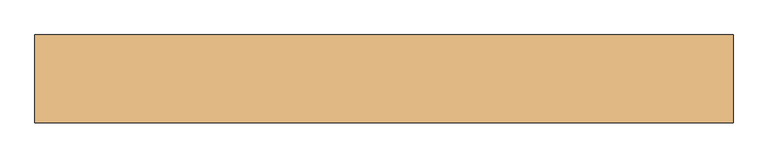
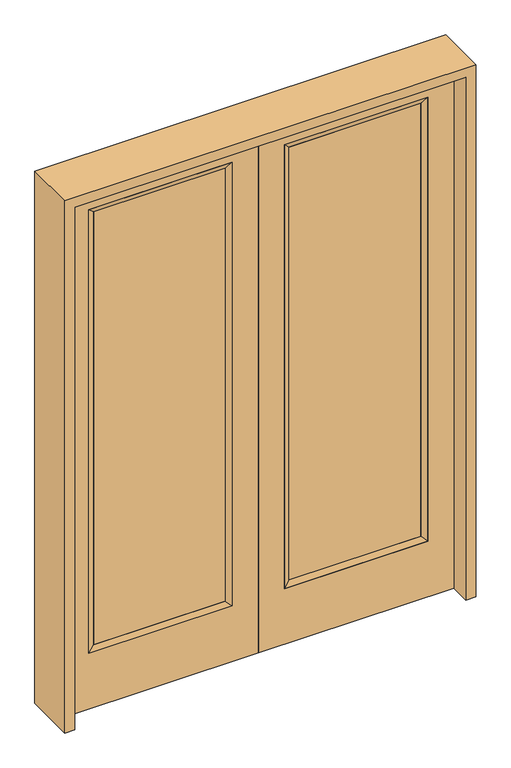
"""IFC4 building model written with IfcOpenShell, lengths in millimetres: door geometry."""

from ifc_helpers import new_model, si_unit, frame, origin, place, context, project, spatial, polyline, outline, extrude, faceted_brep, source, transform, mapped, element, save


def door_30f4d2e7(model_context):
    return source(origin(), model_context, "Body", "SolidModel", [
        extrude(outline(polyline([(140.8176, -12.7039749), (140.8176, 14.2875), (722.7824, 14.2875), (722.7824, -12.7039749), (140.8176, -12.7039749)])), frame((0.0, 0.0, 285.75), z_axis=(0.0, 0.0, 1.0), x_axis=(1.0, 0.0, 0.0)), (0.0, 0.0, 1.0), 2019.3),
        faceted_brep([(140.8176, 14.2875, 2305.05), (140.8176, 14.2875, 285.75), (115.4176, 22.225, 260.35), (115.4176, 22.225, 2330.45), (115.4176, -22.225, 260.35), (115.4176, -22.225, 2330.45), (722.7824, 14.2875, 285.75), (748.1824, 22.225, 260.35), (140.8176, -12.7039749, 2305.05), (140.8176, -12.7039749, 285.75), (722.7824, -12.7039749, 285.75), (748.1824, -22.225, 260.35), (722.7824, 14.2875, 2305.05), (748.1824, 22.225, 2330.45), (722.7824, -12.7039749, 2305.05), (748.1824, -22.225, 2330.45)], [[[0, 1, 2, 3]], [[3, 2, 4, 5]], [[1, 6, 7, 2]], [[8, 9, 1, 0]], [[9, 10, 6, 1]], [[5, 4, 9, 8]], [[4, 11, 10, 9]], [[2, 7, 11, 4]], [[6, 12, 13, 7]], [[10, 14, 12, 6]], [[11, 15, 14, 10]], [[7, 13, 15, 11]], [[12, 0, 3, 13]], [[14, 8, 0, 12]], [[15, 5, 8, 14]], [[13, 3, 5, 15]]]),
        extrude(outline(polyline([(0.0, 863.6), (2438.4, 863.6), (2438.4, 0.0), (0.0, 0.0), (0.0, 863.6)]), holes=[polyline([(260.35, 748.1824), (260.35, 115.4176), (2330.45, 115.4176), (2330.45, 748.1824), (260.35, 748.1824)])]), frame((0.0, -22.225, 0.0), z_axis=(0.0, 1.0, 0.0), x_axis=(0.0, 0.0, 1.0)), (0.0, 0.0, 1.0), 44.45),
        extrude(outline(polyline([(-140.8176, -12.7039749), (-722.7824, -12.7039749), (-722.7824, 14.2875), (-140.8176, 14.2875), (-140.8176, -12.7039749)])), frame((0.0, 0.0, 285.75), z_axis=(0.0, 0.0, 1.0), x_axis=(1.0, 0.0, 0.0)), (0.0, 0.0, 1.0), 2019.3),
        faceted_brep([(-140.8176, 14.2875, 2305.05), (-115.4176, 22.225, 2330.45), (-115.4176, 22.225, 260.35), (-140.8176, 14.2875, 285.75), (-115.4176, -22.225, 2330.45), (-115.4176, -22.225, 260.35), (-748.1824, 22.225, 260.35), (-722.7824, 14.2875, 285.75), (-140.8176, -12.7039749, 2305.05), (-140.8176, -12.7039749, 285.75), (-722.7824, -12.7039749, 285.75), (-748.1824, -22.225, 260.35), (-748.1824, 22.225, 2330.45), (-722.7824, 14.2875, 2305.05), (-722.7824, -12.7039749, 2305.05), (-748.1824, -22.225, 2330.45)], [[[0, 1, 2, 3]], [[1, 4, 5, 2]], [[3, 2, 6, 7]], [[8, 0, 3, 9]], [[9, 3, 7, 10]], [[4, 8, 9, 5]], [[5, 9, 10, 11]], [[2, 5, 11, 6]], [[7, 6, 12, 13]], [[10, 7, 13, 14]], [[11, 10, 14, 15]], [[6, 11, 15, 12]], [[13, 12, 1, 0]], [[14, 13, 0, 8]], [[15, 14, 8, 4]], [[12, 15, 4, 1]]]),
        extrude(outline(polyline([(0.0, -863.6), (0.0, 0.0), (2438.4, 0.0), (2438.4, -863.6), (0.0, -863.6)]), holes=[polyline([(260.35, -748.1824), (2330.45, -748.1824), (2330.45, -115.4176), (260.35, -115.4176), (260.35, -748.1824)])]), frame((0.0, -22.225, 0.0), z_axis=(0.0, 1.0, 0.0), x_axis=(0.0, 0.0, 1.0)), (0.0, 0.0, 1.0), 44.45),
        extrude(outline(polyline([(2482.85, -908.05), (0.0, -908.05), (0.0, -863.6), (2438.4, -863.6), (2438.4, 863.6), (0.0, 863.6), (0.0, 908.05), (2482.85, 908.05), (2482.85, -908.05)])), frame((0.0, -114.3, 0.0), z_axis=(0.0, 1.0, 0.0), x_axis=(0.0, 0.0, 1.0)), (0.0, 0.0, 1.0), 228.6),
    ])


if __name__ == "__main__":
    model = new_model("IFC4")
    model_context = context("Model", 3, world=origin())
    ifc_project = project(units=[si_unit("LENGTHUNIT", "METRE", prefix="MILLI")], contexts=[model_context])
    site = spatial("IfcSite", under=ifc_project)
    building = spatial("IfcBuilding", under=site)
    placement = place(None, origin())
    door_shape = door_30f4d2e7(model_context)
    element("IfcDoor", 1, at=placement, inside=building, context=model_context, shape_type="MappedRepresentation", body=[
        mapped(door_shape, transform((0.0, 0.0, 0.0), x_axis=(1.0, 0.0, 0.0), y_axis=(0.0, 1.0, 0.0), z_axis=(0.0, 0.0, 1.0))),
    ])
    save(model, "model.ifc")
